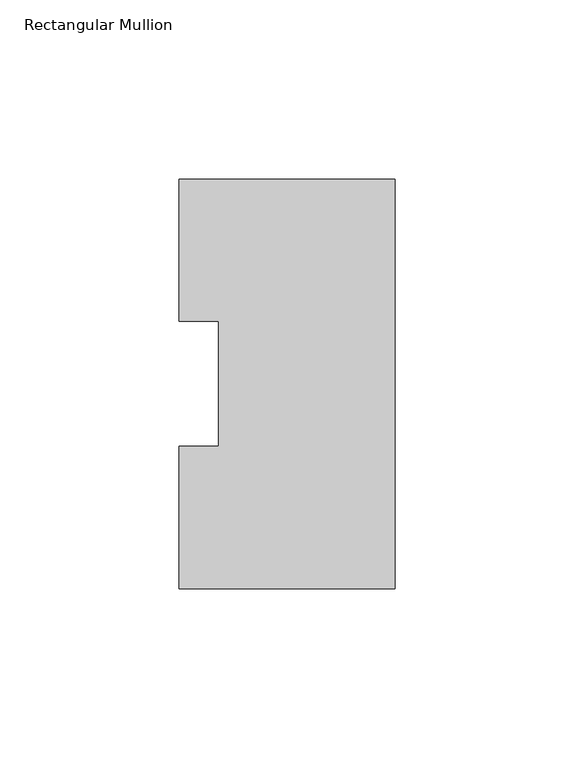
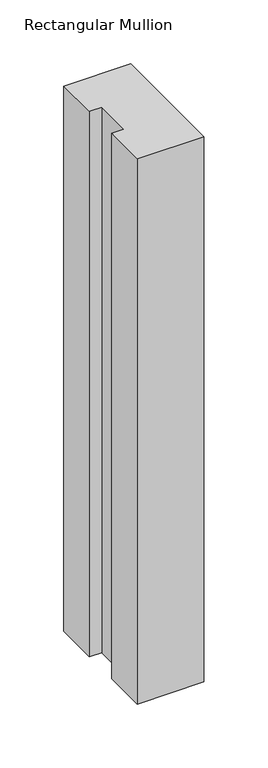
"""IFC4 building model written with IfcOpenShell, lengths in millimetres: member geometry, Rectangular Mullion."""

from ifc_helpers import new_model, si_unit, frame, origin, place, context, project, spatial, polyline, outline, extrude, source, transform, mapped, element, save


def rectangular_mullion_452f7eb7(model_context):
    return source(origin(), model_context, "Body", "SweptSolid", [
        extrude(outline(polyline([(-60.325, -0.03175), (-60.325, 39.64305), (-49.2125, 39.64305), (-49.2125, 74.59345), (-60.325, 74.59345), (-60.325, 114.26825), (0.0, 114.26825), (0.0, -0.03175), (-60.325, -0.03175)])), frame((0.0, 0.0, -520.7), z_axis=(0.0, 0.0, 1.0), x_axis=(1.0, 0.0, 0.0)), (0.0, 0.0, 1.0), 520.7),
    ])


if __name__ == "__main__":
    model = new_model("IFC4")
    model_context = context("Model", 3, world=origin())
    ifc_project = project(units=[si_unit("LENGTHUNIT", "METRE", prefix="MILLI")], contexts=[model_context])
    site = spatial("IfcSite", under=ifc_project)
    building = spatial("IfcBuilding", under=site)
    placement = place(None, origin())
    rectangular_mullion_shape = rectangular_mullion_452f7eb7(model_context)
    element("IfcMember", 1, ObjectType="Rectangular Mullion", at=placement, inside=building, context=model_context, shape_type="MappedRepresentation", body=[
        mapped(rectangular_mullion_shape, transform((0.0, 0.0, 0.0), x_axis=(1.0, 0.0, 0.0), y_axis=(0.0, 1.0, 0.0), z_axis=(0.0, 0.0, 1.0))),
    ])
    save(model, "model.ifc")
